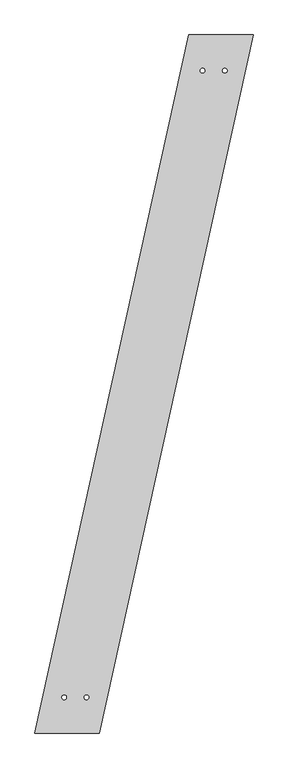
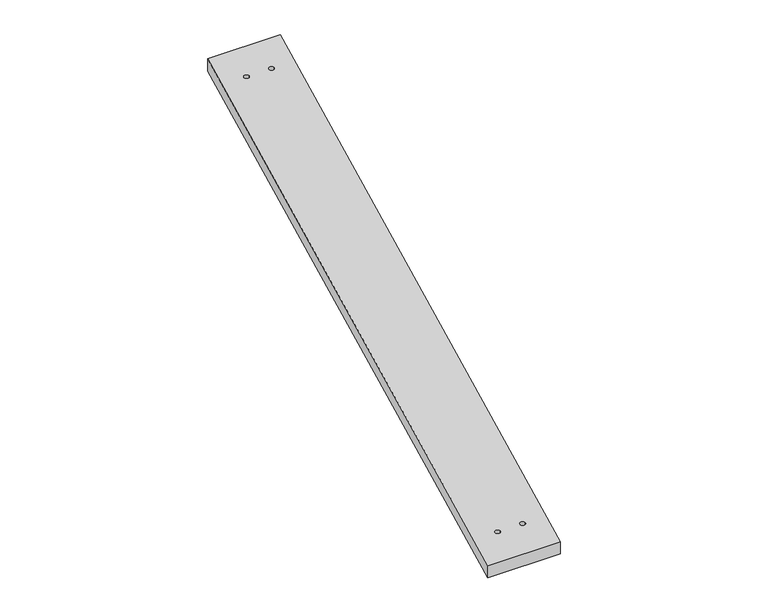
"""IFC4 building model written with IfcOpenShell, lengths in millimetres: proxy geometry."""

from ifc_helpers import new_model, si_unit, point, frame_2d, origin, origin_with_axes, place, context, project, spatial, polyline, circle_curve, trimmed, segment, composite_curve, outline, extrude, source, transform, mapped, element, save


def generic_models_1b6534f6(model_context):
    return source(origin(), model_context, "Body", "SweptSolid", [
        extrude(outline(polyline([(668.8870971, 3037.217485), (948.8870971, 3037.217485), (280.0, 0.0), (0.0, 0.0), (668.8870971, 3037.217485)]), holes=[composite_curve([segment(trimmed(circle_curve(frame_2d((729.2711147, 2881.717485)), 10.0), [point((719.2711147, 2881.717485))], [point((739.2711147, 2881.717485))], True, "CARTESIAN"), True, "CONTINUOUS"), segment(trimmed(circle_curve(frame_2d((729.2711147, 2881.717485)), 10.0), [point((739.2711147, 2881.717485))], [point((719.2711147, 2881.717485))], True, "CARTESIAN"), True, "CONTINUOUS")], self_intersect=False), composite_curve([segment(trimmed(circle_curve(frame_2d((825.9983874, 2881.717485)), 10.0), [point((815.9983874, 2881.717485))], [point((835.9983874, 2881.717485))], True, "CARTESIAN"), True, "CONTINUOUS"), segment(trimmed(circle_curve(frame_2d((825.9983874, 2881.717485)), 10.0), [point((835.9983874, 2881.717485))], [point((815.9983874, 2881.717485))], True, "CARTESIAN"), True, "CONTINUOUS")], self_intersect=False), composite_curve([segment(trimmed(circle_curve(frame_2d((127.2727273, 155.5)), 10.0), [point((117.2727273, 155.5))], [point((137.2727273, 155.5))], True, "CARTESIAN"), True, "CONTINUOUS"), segment(trimmed(circle_curve(frame_2d((127.2727273, 155.5)), 10.0), [point((137.2727273, 155.5))], [point((117.2727273, 155.5))], True, "CARTESIAN"), True, "CONTINUOUS")], self_intersect=False), composite_curve([segment(trimmed(circle_curve(frame_2d((224.0, 155.5)), 10.0), [point((214.0, 155.5))], [point((234.0, 155.5))], True, "CARTESIAN"), True, "CONTINUOUS"), segment(trimmed(circle_curve(frame_2d((224.0, 155.5)), 10.0), [point((234.0, 155.5))], [point((214.0, 155.5))], True, "CARTESIAN"), True, "CONTINUOUS")], self_intersect=False)]), origin_with_axes(), (0.0, 0.0, 1.0), 50.0),
    ])


if __name__ == "__main__":
    model = new_model("IFC4")
    model_context = context("Model", 3, world=origin())
    ifc_project = project(units=[si_unit("LENGTHUNIT", "METRE", prefix="MILLI")], contexts=[model_context])
    site = spatial("IfcSite", under=ifc_project)
    building = spatial("IfcBuilding", under=site)
    placement = place(None, origin())
    generic_models_shape = generic_models_1b6534f6(model_context)
    element("IfcBuildingElementProxy", 1, Name="Generic Models", at=placement, inside=building, context=model_context, shape_type="MappedRepresentation", body=[
        mapped(generic_models_shape, transform((0.0, 0.0, 0.0), x_axis=(1.0, 0.0, 0.0), y_axis=(0.0, 1.0, 0.0), z_axis=(0.0, 0.0, 1.0))),
    ])
    save(model, "model.ifc")
